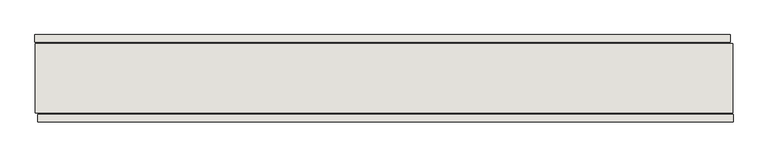
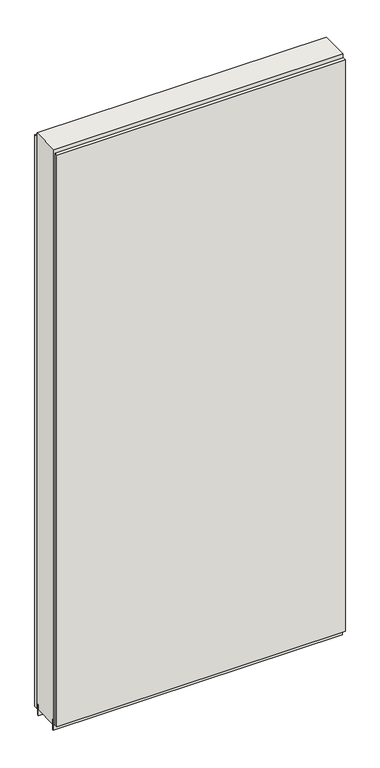
"""IFC4 building model written with IfcOpenShell, lengths in millimetres: wall geometry."""

import ifcopenshell
import ifcopenshell.guid

model = None  # the IFC model being written
_history = None  # IfcOwnerHistory: only IFC2X3 demands one
_inside = {}  # id of a spatial element -> (the spatial element, [elements in it])
_under = {}  # id of a project, library or spatial element -> (it, [spatial elements below it])
_declared = {}  # id of a project -> (the project, [libraries it declares])
_typed = {}  # id of a type object -> (the type object, [elements of that type])
_made_of = {}  # id of a material, layer set ... -> (it, [elements and type objects made of it])


def new_model(schema):
    """Start an empty IFC model of exactly this schema.

    Asked for "IFC4X3", IfcOpenShell would pick the latest addendum, in which some entities
    have other attributes; the version numbers below select the first issue.
    IFC2X3 requires an IfcOwnerHistory on every rooted entity: one is made here for all.
    """
    global model, _history
    if schema == "IFC4X3":
        model = ifcopenshell.file(schema_version=(4, 3, 0, 0))
    else:
        model = ifcopenshell.file(schema=schema)
    _inside.clear()
    _under.clear()
    _declared.clear()
    _typed.clear()
    _made_of.clear()
    _history = None
    if model.schema == "IFC2X3":
        org = make("IfcOrganization", Name="unknown")
        user = make(
            "IfcPersonAndOrganization",
            ThePerson=make("IfcPerson", FamilyName="unknown"),
            TheOrganization=org,
        )
        app = make(
            "IfcApplication",
            ApplicationDeveloper=org,
            Version="unknown",
            ApplicationFullName="unknown",
            ApplicationIdentifier="unknown",
        )
        _history = make(
            "IfcOwnerHistory",
            OwningUser=user,
            OwningApplication=app,
            ChangeAction="ADDED",
            CreationDate=0,
        )
    return model


def make(cls, **values):
    """One entity of the class cls with the attributes given. An attribute that is None is left unset."""
    return model.create_entity(
        cls, **{name: value for name, value in values.items() if value is not None}
    )


def rooted(cls, **values):
    """An entity with a GlobalId (a new one), such as an element, a storey or a relation."""
    return make(cls, GlobalId=ifcopenshell.guid.new(), OwnerHistory=_history, **values)


def si_unit(unit_type, name, prefix=None):
    """IfcSIUnit, for example si_unit("LENGTHUNIT", "METRE", prefix="MILLI")."""
    return make("IfcSIUnit", UnitType=unit_type, Prefix=prefix, Name=name)


def assignment(units):
    """IfcUnitAssignment: the units of a project."""
    return None if units is None else make("IfcUnitAssignment", Units=units)


def point(xyz):
    """IfcCartesianPoint."""
    return None if xyz is None else make("IfcCartesianPoint", Coordinates=xyz)


def direction(xyz):
    """IfcDirection."""
    return None if xyz is None else make("IfcDirection", DirectionRatios=xyz)


def frame(location, z_axis=None, x_axis=None):
    """IfcAxis2Placement3D, a coordinate frame: its origin and axes. An axis left out is left unset."""
    return make(
        "IfcAxis2Placement3D",
        Location=point(location),
        Axis=direction(z_axis),
        RefDirection=direction(x_axis),
    )


def origin():
    """The frame at (0, 0, 0) with its axes left unset."""
    return frame((0.0, 0.0, 0.0))


def place(relative_to, where):
    """IfcLocalPlacement: puts the frame where relative to a parent placement (None: the world)."""
    return make(
        "IfcLocalPlacement", PlacementRelTo=relative_to, RelativePlacement=where
    )


def context(
    kind, dimensions, precision=None, world=None, true_north=None, identifier=None
):
    """IfcGeometricRepresentationContext, for example the 3D "Model" context."""
    return make(
        "IfcGeometricRepresentationContext",
        ContextIdentifier=identifier,
        ContextType=kind,
        CoordinateSpaceDimension=dimensions,
        Precision=precision,
        WorldCoordinateSystem=world,
        TrueNorth=true_north,
    )


def project(units=None, contexts=None):
    """IfcProject with its units and contexts."""
    return rooted(
        "IfcProject",
        Name="project",
        RepresentationContexts=contexts,
        UnitsInContext=assignment(units),
    )


def spatial(cls, under=None, at=None, **own):
    """A site, building, storey or space (cls), placed at a placement, below another one or the project."""
    s = rooted(cls, ObjectPlacement=at, **own)
    if under is not None:
        _under.setdefault(under.id(), (under, []))[1].append(s)
    return s


def polyline(points):
    """IfcPolyline through the points."""
    return make("IfcPolyline", Points=[point(p) for p in points])


def outline(outer, holes=None, kind="AREA"):
    """IfcArbitraryClosedProfileDef: a profile drawn as a closed curve; with holes, ...WithVoids."""
    if holes is None:
        return make("IfcArbitraryClosedProfileDef", ProfileType=kind, OuterCurve=outer)
    return make(
        "IfcArbitraryProfileDefWithVoids",
        ProfileType=kind,
        OuterCurve=outer,
        InnerCurves=holes,
    )


def extrude(swept, where, along, depth):
    """IfcExtrudedAreaSolid: the profile swept, set in the frame where, extruded along a direction by depth."""
    return make(
        "IfcExtrudedAreaSolid",
        SweptArea=swept,
        Position=where,
        ExtrudedDirection=direction(along),
        Depth=depth,
    )


def shape(context_of_items, identifier, shape_type, items):
    """IfcShapeRepresentation: the items that make up one representation, for example the "Body"."""
    return make(
        "IfcShapeRepresentation",
        ContextOfItems=context_of_items,
        RepresentationIdentifier=identifier,
        RepresentationType=shape_type,
        Items=items,
    )


def source(mapping_origin, context_of_items, identifier, shape_type, items):
    """IfcRepresentationMap: a shape defined once, which mapped items show again and again."""
    return make(
        "IfcRepresentationMap",
        MappingOrigin=mapping_origin,
        MappedRepresentation=shape(context_of_items, identifier, shape_type, items),
    )


def transform(
    local_origin,
    x_axis=None,
    y_axis=None,
    z_axis=None,
    scale=None,
    scale2=None,
    scale3=None,
    uniform=True,
):
    """IfcCartesianTransformationOperator3D, or its non-uniform kind. x_axis, y_axis, z_axis: its Axis1, 2, 3."""
    if uniform:
        return make(
            "IfcCartesianTransformationOperator3D",
            Axis1=direction(x_axis),
            Axis2=direction(y_axis),
            LocalOrigin=point(local_origin),
            Scale=scale,
            Axis3=direction(z_axis),
        )
    return make(
        "IfcCartesianTransformationOperator3DnonUniform",
        Axis1=direction(x_axis),
        Axis2=direction(y_axis),
        LocalOrigin=point(local_origin),
        Scale=scale,
        Axis3=direction(z_axis),
        Scale2=scale2,
        Scale3=scale3,
    )


def mapped(mapping_source, mapping_target):
    """IfcMappedItem: shows the shape of a source again, moved by a transform."""
    return make(
        "IfcMappedItem", MappingSource=mapping_source, MappingTarget=mapping_target
    )


def made_of(thing, what):
    """Note that an element or type object is made of a material, layer set ...; save() writes the relation."""
    if what is not None:
        _made_of.setdefault(what.id(), (what, []))[1].append(thing)
    return thing


def element(
    cls,
    number,
    at=None,
    inside=None,
    cuts=None,
    type_object=None,
    material=None,
    context=None,
    identifier="Body",
    shape_type=None,
    held_by="IfcProductDefinitionShape",
    body=None,
    shapes=None,
    **own,
):
    """One element of the class cls, such as IfcWall. Its Tag is "e" and its number.

    at: its placement. inside: the storey or other place that contains it. cuts: it is an
    opening in that element (IfcRelVoidsElement). A single representation is given by context,
    identifier, shape_type and body (its items); several are given by shapes. held_by: the class
    of the entity that holds the representations. save() writes the other relations.
    """
    e = rooted(cls, Tag="e%d" % number, ObjectPlacement=at, **own)
    if body is not None:
        shapes = [shape(context, identifier, shape_type, body)]
    if shapes is not None:
        e.Representation = make(held_by, Representations=shapes)
    if inside is not None:
        _inside.setdefault(inside.id(), (inside, []))[1].append(e)
    if cuts is not None:
        rooted(
            "IfcRelVoidsElement", RelatingBuildingElement=cuts, RelatedOpeningElement=e
        )
    if type_object is not None:
        _typed.setdefault(type_object.id(), (type_object, []))[1].append(e)
    return made_of(e, material)


def aggregate(whole, parts):
    """IfcRelAggregates: a whole, such as a stair, and the parts it consists of."""
    return rooted("IfcRelAggregates", RelatingObject=whole, RelatedObjects=parts)


def save(model, path):
    """Write the relations noted so far, then the file.

    IfcRelAggregates (storeys below a building ...), IfcRelContainedInSpatialStructure (elements
    in a storey), IfcRelDefinesByType, IfcRelAssociatesMaterial and IfcRelDeclares: one each for
    every whole, place, type object, material and project.
    """
    for whole, parts in _under.values():
        aggregate(whole, parts)
    for where, things in _inside.values():
        rooted(
            "IfcRelContainedInSpatialStructure",
            RelatedElements=things,
            RelatingStructure=where,
        )
    for kind, things in _typed.values():
        rooted("IfcRelDefinesByType", RelatedObjects=things, RelatingType=kind)
    for what, things in _made_of.values():
        rooted("IfcRelAssociatesMaterial", RelatedObjects=things, RelatingMaterial=what)
    for by, libraries in _declared.values():
        rooted("IfcRelDeclares", RelatingContext=by, RelatedDefinitions=libraries)
    model.write(path)


def wall_1ca39727(model_context):
    return source(origin(), model_context, "Body", "SweptSolid", [
        extrude(outline(polyline([(55367.2015336, -39389.1845692), (55369.7415336, -39389.1845692), (55369.7415336, -39391.7245692), (55367.2015336, -39391.7245692), (55367.2015336, -39389.1845692)])), frame((0.0, 0.0, 4419.6), z_axis=(0.0, 0.0, 1.0), x_axis=(1.0, 0.0, 0.0)), (0.0, 0.0, 1.0), 2.54),
        extrude(outline(polyline([(55370.2108494, -39466.6545692), (54155.0108414, -39466.6545692), (54155.0108414, -39453.9545692), (55370.2108494, -39453.9545692), (55370.2108494, -39466.6545692)])), frame((0.0, 0.0, 4445.0), z_axis=(0.0, 0.0, 1.0), x_axis=(1.0, 0.0, 0.0)), (0.0, 0.0, 1.0), 2545.0498756),
        extrude(outline(polyline([(54150.074707, -39314.2545692), (55365.274715, -39314.2545692), (55365.274715, -39326.9545692), (54150.074707, -39326.9545692), (54150.074707, -39314.2545692)])), frame((0.0, 0.0, 4445.0), z_axis=(0.0, 0.0, 1.0), x_axis=(1.0, 0.0, 0.0)), (0.0, 0.0, 1.0), 2545.0498756),
        extrude(outline(polyline([(54150.5365806, -39442.1351364), (55369.7365806, -39442.1351364), (55369.7365806, -39447.2169906), (54150.5365806, -39447.2169906), (54150.5365806, -39442.1351364)])), frame((0.0, 0.0, 4418.6602), z_axis=(0.0, 0.0, 1.0), x_axis=(1.0, 0.0, 0.0)), (0.0, 0.0, 1.0), 47.625),
        extrude(outline(polyline([(54150.5365806, -39442.1351364), (55369.7365806, -39442.1351364), (55369.7365806, -39447.2169906), (54150.5365806, -39447.2169906), (54150.5365806, -39442.1351364)])), frame((0.0, 0.0, 4418.6602), z_axis=(0.0, 0.0, 1.0), x_axis=(1.0, 0.0, 0.0)), (0.0, 0.0, 1.0), 47.625),
        extrude(outline(polyline([(55369.7365806, -39338.758508), (54150.5365806, -39338.758508), (54150.5365806, -39333.6766284), (55369.7365806, -39333.6766284), (55369.7365806, -39338.758508)])), frame((0.0, 0.0, 4418.6602), z_axis=(0.0, 0.0, 1.0), x_axis=(1.0, 0.0, 0.0)), (0.0, 0.0, 1.0), 47.625),
        extrude(outline(polyline([(55369.7365806, -39338.758508), (54150.5365806, -39338.758508), (54150.5365806, -39333.6766284), (55369.7365806, -39333.6766284), (55369.7365806, -39338.758508)])), frame((0.0, 0.0, 4418.6602), z_axis=(0.0, 0.0, 1.0), x_axis=(1.0, 0.0, 0.0)), (0.0, 0.0, 1.0), 47.625),
        extrude(outline(polyline([(54150.5365806, -39451.4058824), (54150.5365806, -39329.4877366), (55369.7365806, -39329.4877366), (55369.7365806, -39451.4058824), (54150.5365806, -39451.4058824)])), frame((0.0, 0.0, 4445.0), z_axis=(0.0, 0.0, 1.0), x_axis=(1.0, 0.0, 0.0)), (0.0, 0.0, 1.0), 2562.4536762),
    ])


if __name__ == "__main__":
    model = new_model("IFC4")
    model_context = context("Model", 3, world=origin())
    ifc_project = project(units=[si_unit("LENGTHUNIT", "METRE", prefix="MILLI")], contexts=[model_context])
    site = spatial("IfcSite", under=ifc_project)
    building = spatial("IfcBuilding", under=site)
    placement = place(None, origin())
    wall_shape = wall_1ca39727(model_context)
    element("IfcWall", 1, at=placement, inside=building, context=model_context, shape_type="MappedRepresentation", body=[
        mapped(wall_shape, transform((0.0, 0.0, 0.0), x_axis=(1.0, 0.0, 0.0), y_axis=(0.0, 1.0, 0.0), z_axis=(0.0, 0.0, 1.0))),
    ])
    save(model, "model.ifc")
